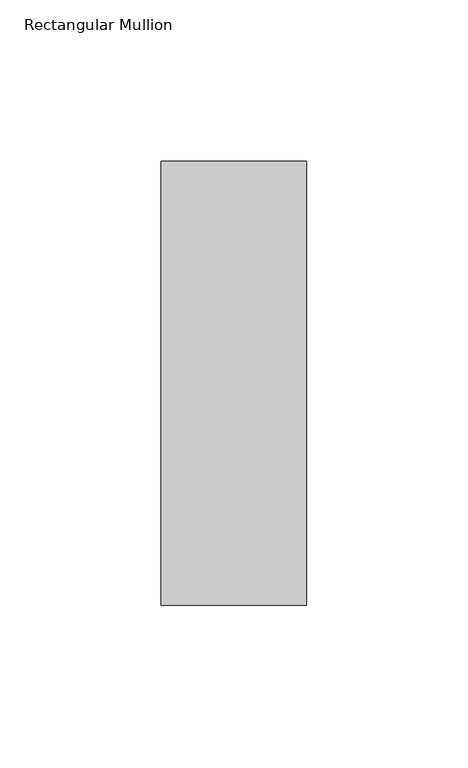
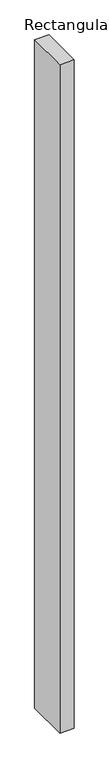
"""IFC4 building model written with IfcOpenShell, lengths in millimetres: member geometry, Rectangular Mullion."""

from ifc_helpers import new_model, si_unit, frame, origin, place, context, project, spatial, polyline, outline, extrude, source, transform, mapped, element, save


def rectangular_mullion_afb3a3df(model_context):
    return source(origin(), model_context, "Body", "SweptSolid", [
        extrude(outline(polyline([(22.5, 84.19375), (22.5, -53.19375), (-22.5, -53.19375), (-22.5, 84.19375), (22.5, 84.19375)])), frame((0.0, 0.0, -2223.5642788), z_axis=(0.0, 0.0, 1.0), x_axis=(1.0, 0.0, 0.0)), (0.0, 0.0, 1.0), 2223.5642788),
    ])


if __name__ == "__main__":
    model = new_model("IFC4")
    model_context = context("Model", 3, world=origin())
    ifc_project = project(units=[si_unit("LENGTHUNIT", "METRE", prefix="MILLI")], contexts=[model_context])
    site = spatial("IfcSite", under=ifc_project)
    building = spatial("IfcBuilding", under=site)
    placement = place(None, origin())
    rectangular_mullion_shape = rectangular_mullion_afb3a3df(model_context)
    element("IfcMember", 1, ObjectType="Rectangular Mullion", at=placement, inside=building, context=model_context, shape_type="MappedRepresentation", body=[
        mapped(rectangular_mullion_shape, transform((0.0, 0.0, 0.0), x_axis=(1.0, 0.0, 0.0), y_axis=(0.0, 1.0, 0.0), z_axis=(0.0, 0.0, 1.0))),
    ])
    save(model, "model.ifc")
